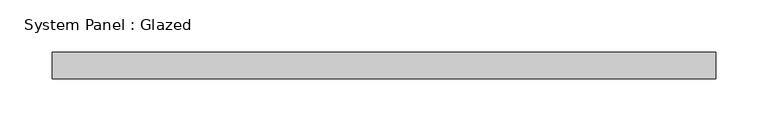
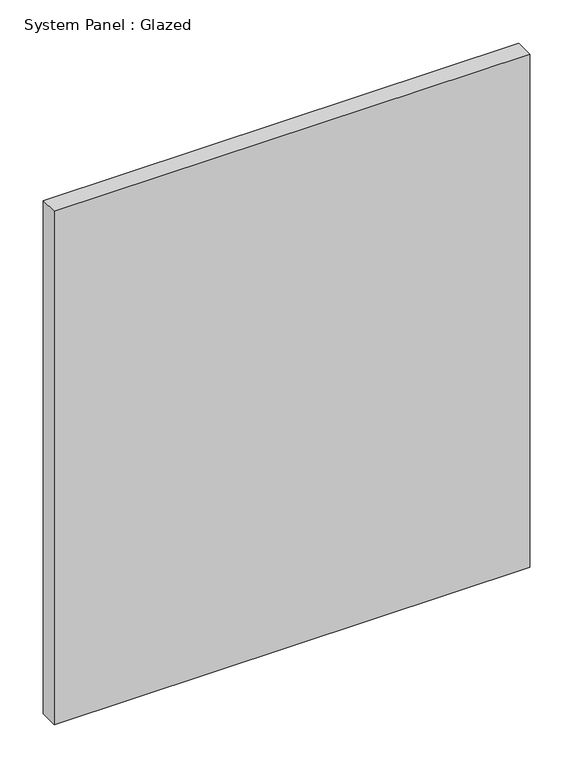
"""IFC4 building model written with IfcOpenShell, lengths in millimetres: plate geometry, System Panel : Glazed."""

import ifcopenshell
import ifcopenshell.guid

model = None  # the IFC model being written
_history = None  # IfcOwnerHistory: only IFC2X3 demands one
_inside = {}  # id of a spatial element -> (the spatial element, [elements in it])
_under = {}  # id of a project, library or spatial element -> (it, [spatial elements below it])
_declared = {}  # id of a project -> (the project, [libraries it declares])
_typed = {}  # id of a type object -> (the type object, [elements of that type])
_made_of = {}  # id of a material, layer set ... -> (it, [elements and type objects made of it])


def new_model(schema):
    """Start an empty IFC model of exactly this schema.

    Asked for "IFC4X3", IfcOpenShell would pick the latest addendum, in which some entities
    have other attributes; the version numbers below select the first issue.
    IFC2X3 requires an IfcOwnerHistory on every rooted entity: one is made here for all.
    """
    global model, _history
    if schema == "IFC4X3":
        model = ifcopenshell.file(schema_version=(4, 3, 0, 0))
    else:
        model = ifcopenshell.file(schema=schema)
    _inside.clear()
    _under.clear()
    _declared.clear()
    _typed.clear()
    _made_of.clear()
    _history = None
    if model.schema == "IFC2X3":
        org = make("IfcOrganization", Name="unknown")
        user = make(
            "IfcPersonAndOrganization",
            ThePerson=make("IfcPerson", FamilyName="unknown"),
            TheOrganization=org,
        )
        app = make(
            "IfcApplication",
            ApplicationDeveloper=org,
            Version="unknown",
            ApplicationFullName="unknown",
            ApplicationIdentifier="unknown",
        )
        _history = make(
            "IfcOwnerHistory",
            OwningUser=user,
            OwningApplication=app,
            ChangeAction="ADDED",
            CreationDate=0,
        )
    return model


def make(cls, **values):
    """One entity of the class cls with the attributes given. An attribute that is None is left unset."""
    return model.create_entity(
        cls, **{name: value for name, value in values.items() if value is not None}
    )


def rooted(cls, **values):
    """An entity with a GlobalId (a new one), such as an element, a storey or a relation."""
    return make(cls, GlobalId=ifcopenshell.guid.new(), OwnerHistory=_history, **values)


def si_unit(unit_type, name, prefix=None):
    """IfcSIUnit, for example si_unit("LENGTHUNIT", "METRE", prefix="MILLI")."""
    return make("IfcSIUnit", UnitType=unit_type, Prefix=prefix, Name=name)


def assignment(units):
    """IfcUnitAssignment: the units of a project."""
    return None if units is None else make("IfcUnitAssignment", Units=units)


def point(xyz):
    """IfcCartesianPoint."""
    return None if xyz is None else make("IfcCartesianPoint", Coordinates=xyz)


def direction(xyz):
    """IfcDirection."""
    return None if xyz is None else make("IfcDirection", DirectionRatios=xyz)


def frame(location, z_axis=None, x_axis=None):
    """IfcAxis2Placement3D, a coordinate frame: its origin and axes. An axis left out is left unset."""
    return make(
        "IfcAxis2Placement3D",
        Location=point(location),
        Axis=direction(z_axis),
        RefDirection=direction(x_axis),
    )


def origin():
    """The frame at (0, 0, 0) with its axes left unset."""
    return frame((0.0, 0.0, 0.0))


def origin_with_axes():
    """The frame at (0, 0, 0) with the z axis (0, 0, 1) and the x axis (1, 0, 0) written out."""
    return frame((0.0, 0.0, 0.0), z_axis=(0.0, 0.0, 1.0), x_axis=(1.0, 0.0, 0.0))


def place(relative_to, where):
    """IfcLocalPlacement: puts the frame where relative to a parent placement (None: the world)."""
    return make(
        "IfcLocalPlacement", PlacementRelTo=relative_to, RelativePlacement=where
    )


def context(
    kind, dimensions, precision=None, world=None, true_north=None, identifier=None
):
    """IfcGeometricRepresentationContext, for example the 3D "Model" context."""
    return make(
        "IfcGeometricRepresentationContext",
        ContextIdentifier=identifier,
        ContextType=kind,
        CoordinateSpaceDimension=dimensions,
        Precision=precision,
        WorldCoordinateSystem=world,
        TrueNorth=true_north,
    )


def project(units=None, contexts=None):
    """IfcProject with its units and contexts."""
    return rooted(
        "IfcProject",
        Name="project",
        RepresentationContexts=contexts,
        UnitsInContext=assignment(units),
    )


def spatial(cls, under=None, at=None, **own):
    """A site, building, storey or space (cls), placed at a placement, below another one or the project."""
    s = rooted(cls, ObjectPlacement=at, **own)
    if under is not None:
        _under.setdefault(under.id(), (under, []))[1].append(s)
    return s


def polyline(points):
    """IfcPolyline through the points."""
    return make("IfcPolyline", Points=[point(p) for p in points])


def outline(outer, holes=None, kind="AREA"):
    """IfcArbitraryClosedProfileDef: a profile drawn as a closed curve; with holes, ...WithVoids."""
    if holes is None:
        return make("IfcArbitraryClosedProfileDef", ProfileType=kind, OuterCurve=outer)
    return make(
        "IfcArbitraryProfileDefWithVoids",
        ProfileType=kind,
        OuterCurve=outer,
        InnerCurves=holes,
    )


def extrude(swept, where, along, depth):
    """IfcExtrudedAreaSolid: the profile swept, set in the frame where, extruded along a direction by depth."""
    return make(
        "IfcExtrudedAreaSolid",
        SweptArea=swept,
        Position=where,
        ExtrudedDirection=direction(along),
        Depth=depth,
    )


def shape(context_of_items, identifier, shape_type, items):
    """IfcShapeRepresentation: the items that make up one representation, for example the "Body"."""
    return make(
        "IfcShapeRepresentation",
        ContextOfItems=context_of_items,
        RepresentationIdentifier=identifier,
        RepresentationType=shape_type,
        Items=items,
    )


def source(mapping_origin, context_of_items, identifier, shape_type, items):
    """IfcRepresentationMap: a shape defined once, which mapped items show again and again."""
    return make(
        "IfcRepresentationMap",
        MappingOrigin=mapping_origin,
        MappedRepresentation=shape(context_of_items, identifier, shape_type, items),
    )


def transform(
    local_origin,
    x_axis=None,
    y_axis=None,
    z_axis=None,
    scale=None,
    scale2=None,
    scale3=None,
    uniform=True,
):
    """IfcCartesianTransformationOperator3D, or its non-uniform kind. x_axis, y_axis, z_axis: its Axis1, 2, 3."""
    if uniform:
        return make(
            "IfcCartesianTransformationOperator3D",
            Axis1=direction(x_axis),
            Axis2=direction(y_axis),
            LocalOrigin=point(local_origin),
            Scale=scale,
            Axis3=direction(z_axis),
        )
    return make(
        "IfcCartesianTransformationOperator3DnonUniform",
        Axis1=direction(x_axis),
        Axis2=direction(y_axis),
        LocalOrigin=point(local_origin),
        Scale=scale,
        Axis3=direction(z_axis),
        Scale2=scale2,
        Scale3=scale3,
    )


def mapped(mapping_source, mapping_target):
    """IfcMappedItem: shows the shape of a source again, moved by a transform."""
    return make(
        "IfcMappedItem", MappingSource=mapping_source, MappingTarget=mapping_target
    )


def made_of(thing, what):
    """Note that an element or type object is made of a material, layer set ...; save() writes the relation."""
    if what is not None:
        _made_of.setdefault(what.id(), (what, []))[1].append(thing)
    return thing


def element(
    cls,
    number,
    at=None,
    inside=None,
    cuts=None,
    type_object=None,
    material=None,
    context=None,
    identifier="Body",
    shape_type=None,
    held_by="IfcProductDefinitionShape",
    body=None,
    shapes=None,
    **own,
):
    """One element of the class cls, such as IfcWall. Its Tag is "e" and its number.

    at: its placement. inside: the storey or other place that contains it. cuts: it is an
    opening in that element (IfcRelVoidsElement). A single representation is given by context,
    identifier, shape_type and body (its items); several are given by shapes. held_by: the class
    of the entity that holds the representations. save() writes the other relations.
    """
    e = rooted(cls, Tag="e%d" % number, ObjectPlacement=at, **own)
    if body is not None:
        shapes = [shape(context, identifier, shape_type, body)]
    if shapes is not None:
        e.Representation = make(held_by, Representations=shapes)
    if inside is not None:
        _inside.setdefault(inside.id(), (inside, []))[1].append(e)
    if cuts is not None:
        rooted(
            "IfcRelVoidsElement", RelatingBuildingElement=cuts, RelatedOpeningElement=e
        )
    if type_object is not None:
        _typed.setdefault(type_object.id(), (type_object, []))[1].append(e)
    return made_of(e, material)


def aggregate(whole, parts):
    """IfcRelAggregates: a whole, such as a stair, and the parts it consists of."""
    return rooted("IfcRelAggregates", RelatingObject=whole, RelatedObjects=parts)


def save(model, path):
    """Write the relations noted so far, then the file.

    IfcRelAggregates (storeys below a building ...), IfcRelContainedInSpatialStructure (elements
    in a storey), IfcRelDefinesByType, IfcRelAssociatesMaterial and IfcRelDeclares: one each for
    every whole, place, type object, material and project.
    """
    for whole, parts in _under.values():
        aggregate(whole, parts)
    for where, things in _inside.values():
        rooted(
            "IfcRelContainedInSpatialStructure",
            RelatedElements=things,
            RelatingStructure=where,
        )
    for kind, things in _typed.values():
        rooted("IfcRelDefinesByType", RelatedObjects=things, RelatingType=kind)
    for what, things in _made_of.values():
        rooted("IfcRelAssociatesMaterial", RelatedObjects=things, RelatingMaterial=what)
    for by, libraries in _declared.values():
        rooted("IfcRelDeclares", RelatingContext=by, RelatedDefinitions=libraries)
    model.write(path)


def system_panel_glazed_0bf20481(model_context):
    return source(origin(), model_context, "Body", "SweptSolid", [
        extrude(outline(polyline([(318.25, 19.05), (-318.25, 19.05), (-318.25, 44.45), (318.25, 44.45), (318.25, 19.05)])), origin_with_axes(), (0.0, 0.0, 1.0), 726.5),
    ])


if __name__ == "__main__":
    model = new_model("IFC4")
    model_context = context("Model", 3, world=origin())
    ifc_project = project(units=[si_unit("LENGTHUNIT", "METRE", prefix="MILLI")], contexts=[model_context])
    site = spatial("IfcSite", under=ifc_project)
    building = spatial("IfcBuilding", under=site)
    placement = place(None, origin())
    system_panel_glazed_shape = system_panel_glazed_0bf20481(model_context)
    element("IfcPlate", 1, ObjectType="System Panel : Glazed", at=placement, inside=building, context=model_context, shape_type="MappedRepresentation", body=[
        mapped(system_panel_glazed_shape, transform((0.0, 0.0, 0.0), x_axis=(1.0, 0.0, 0.0), y_axis=(0.0, 1.0, 0.0), z_axis=(0.0, 0.0, 1.0))),
    ])
    save(model, "model.ifc")
